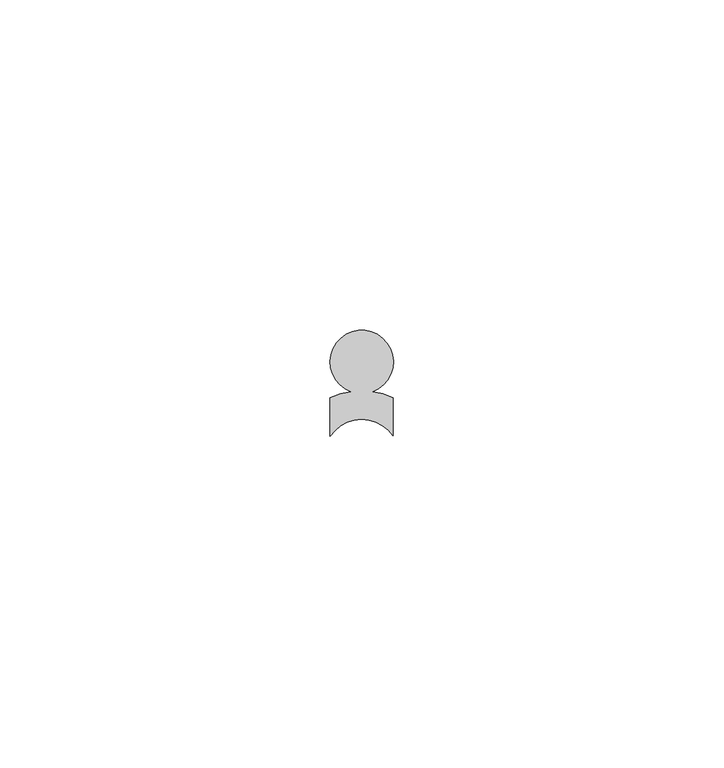
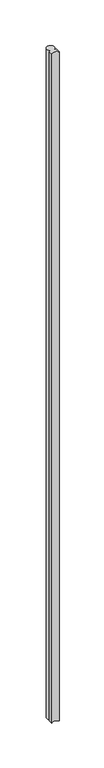
"""IFC4 building model written with IfcOpenShell, lengths in millimetres: proxy geometry."""

from ifc_helpers import new_model, si_unit, point, frame, frame_2d, origin, place, context, project, spatial, polyline, circle_curve, trimmed, segment, composite_curve, outline, extrude, source, transform, mapped, element, save


def generic_models_a7839fb8(model_context):
    return source(origin(), model_context, "Body", "SweptSolid", [
        extrude(outline(composite_curve([segment(polyline([(37262.3710168, -21904.7062476), (37262.3710168, -21898.8639852)]), True, "CONTINUOUS"), segment(trimmed(circle_curve(frame_2d((37267.1299255, -21908.7372056)), 10.9602779), [point((37262.3710168, -21898.8639852))], [point((37265.4914287, -21897.9000925))], False, "CARTESIAN"), True, "CONTINUOUS"), segment(trimmed(circle_curve(frame_2d((37267.1458725, -21893.4171948)), 4.778447), [point((37265.4914287, -21897.9000925))], [point((37268.7909799, -21897.9035271))], False, "CARTESIAN"), True, "CONTINUOUS"), segment(trimmed(circle_curve(frame_2d((37267.1299255, -21908.7372056)), 10.9602779), [point((37268.7909799, -21897.9035271))], [point((37271.8924255, -21898.865717))], False, "CARTESIAN"), True, "CONTINUOUS"), segment(polyline([(37271.8924255, -21898.865717), (37271.8924255, -21904.6142904)]), True, "CONTINUOUS"), segment(trimmed(circle_curve(frame_2d((37267.1627349, -21907.8714849)), 5.7427597), [point((37271.8924255, -21904.6142904))], [point((37262.3710168, -21904.7062476))], True, "CARTESIAN"), True, "CONTINUOUS")], self_intersect=False)), frame((0.0, 0.0, 1524.0), z_axis=(0.0, 0.0, 1.0), x_axis=(1.0, 0.0, 0.0)), (0.0, 0.0, 1.0), 914.4),
    ])


if __name__ == "__main__":
    model = new_model("IFC4")
    model_context = context("Model", 3, world=origin())
    ifc_project = project(units=[si_unit("LENGTHUNIT", "METRE", prefix="MILLI")], contexts=[model_context])
    site = spatial("IfcSite", under=ifc_project)
    building = spatial("IfcBuilding", under=site)
    placement = place(None, origin())
    generic_models_shape = generic_models_a7839fb8(model_context)
    element("IfcBuildingElementProxy", 1, Name="Generic Models", at=placement, inside=building, context=model_context, shape_type="MappedRepresentation", body=[
        mapped(generic_models_shape, transform((0.0, 0.0, 0.0), x_axis=(1.0, 0.0, 0.0), y_axis=(0.0, 1.0, 0.0), z_axis=(0.0, 0.0, 1.0))),
    ])
    save(model, "model.ifc")
